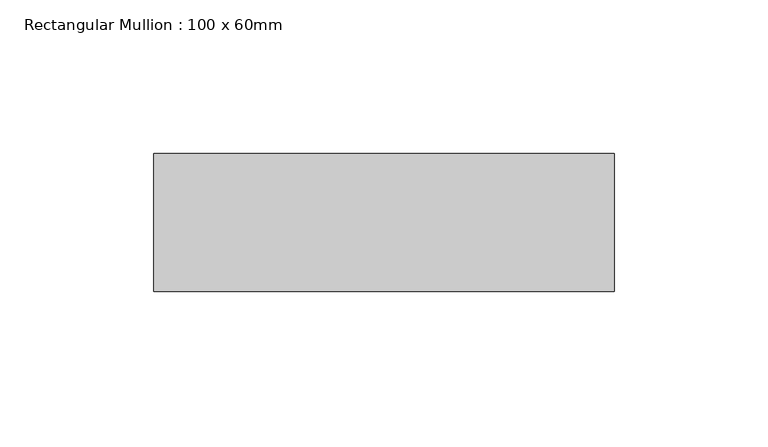
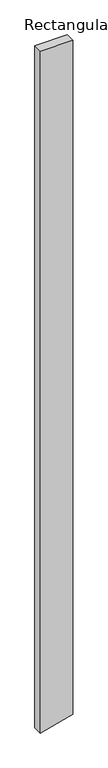
"""IFC4 building model written with IfcOpenShell, lengths in millimetres: member geometry, Rectangular Mullion : 100 x 60mm."""

import ifcopenshell
import ifcopenshell.guid

model = None  # the IFC model being written
_history = None  # IfcOwnerHistory: only IFC2X3 demands one
_inside = {}  # id of a spatial element -> (the spatial element, [elements in it])
_under = {}  # id of a project, library or spatial element -> (it, [spatial elements below it])
_declared = {}  # id of a project -> (the project, [libraries it declares])
_typed = {}  # id of a type object -> (the type object, [elements of that type])
_made_of = {}  # id of a material, layer set ... -> (it, [elements and type objects made of it])


def new_model(schema):
    """Start an empty IFC model of exactly this schema.

    Asked for "IFC4X3", IfcOpenShell would pick the latest addendum, in which some entities
    have other attributes; the version numbers below select the first issue.
    IFC2X3 requires an IfcOwnerHistory on every rooted entity: one is made here for all.
    """
    global model, _history
    if schema == "IFC4X3":
        model = ifcopenshell.file(schema_version=(4, 3, 0, 0))
    else:
        model = ifcopenshell.file(schema=schema)
    _inside.clear()
    _under.clear()
    _declared.clear()
    _typed.clear()
    _made_of.clear()
    _history = None
    if model.schema == "IFC2X3":
        org = make("IfcOrganization", Name="unknown")
        user = make(
            "IfcPersonAndOrganization",
            ThePerson=make("IfcPerson", FamilyName="unknown"),
            TheOrganization=org,
        )
        app = make(
            "IfcApplication",
            ApplicationDeveloper=org,
            Version="unknown",
            ApplicationFullName="unknown",
            ApplicationIdentifier="unknown",
        )
        _history = make(
            "IfcOwnerHistory",
            OwningUser=user,
            OwningApplication=app,
            ChangeAction="ADDED",
            CreationDate=0,
        )
    return model


def make(cls, **values):
    """One entity of the class cls with the attributes given. An attribute that is None is left unset."""
    return model.create_entity(
        cls, **{name: value for name, value in values.items() if value is not None}
    )


def rooted(cls, **values):
    """An entity with a GlobalId (a new one), such as an element, a storey or a relation."""
    return make(cls, GlobalId=ifcopenshell.guid.new(), OwnerHistory=_history, **values)


def si_unit(unit_type, name, prefix=None):
    """IfcSIUnit, for example si_unit("LENGTHUNIT", "METRE", prefix="MILLI")."""
    return make("IfcSIUnit", UnitType=unit_type, Prefix=prefix, Name=name)


def assignment(units):
    """IfcUnitAssignment: the units of a project."""
    return None if units is None else make("IfcUnitAssignment", Units=units)


def point(xyz):
    """IfcCartesianPoint."""
    return None if xyz is None else make("IfcCartesianPoint", Coordinates=xyz)


def direction(xyz):
    """IfcDirection."""
    return None if xyz is None else make("IfcDirection", DirectionRatios=xyz)


def frame(location, z_axis=None, x_axis=None):
    """IfcAxis2Placement3D, a coordinate frame: its origin and axes. An axis left out is left unset."""
    return make(
        "IfcAxis2Placement3D",
        Location=point(location),
        Axis=direction(z_axis),
        RefDirection=direction(x_axis),
    )


def origin():
    """The frame at (0, 0, 0) with its axes left unset."""
    return frame((0.0, 0.0, 0.0))


def place(relative_to, where):
    """IfcLocalPlacement: puts the frame where relative to a parent placement (None: the world)."""
    return make(
        "IfcLocalPlacement", PlacementRelTo=relative_to, RelativePlacement=where
    )


def context(
    kind, dimensions, precision=None, world=None, true_north=None, identifier=None
):
    """IfcGeometricRepresentationContext, for example the 3D "Model" context."""
    return make(
        "IfcGeometricRepresentationContext",
        ContextIdentifier=identifier,
        ContextType=kind,
        CoordinateSpaceDimension=dimensions,
        Precision=precision,
        WorldCoordinateSystem=world,
        TrueNorth=true_north,
    )


def project(units=None, contexts=None):
    """IfcProject with its units and contexts."""
    return rooted(
        "IfcProject",
        Name="project",
        RepresentationContexts=contexts,
        UnitsInContext=assignment(units),
    )


def spatial(cls, under=None, at=None, **own):
    """A site, building, storey or space (cls), placed at a placement, below another one or the project."""
    s = rooted(cls, ObjectPlacement=at, **own)
    if under is not None:
        _under.setdefault(under.id(), (under, []))[1].append(s)
    return s


def polyline(points):
    """IfcPolyline through the points."""
    return make("IfcPolyline", Points=[point(p) for p in points])


def outline(outer, holes=None, kind="AREA"):
    """IfcArbitraryClosedProfileDef: a profile drawn as a closed curve; with holes, ...WithVoids."""
    if holes is None:
        return make("IfcArbitraryClosedProfileDef", ProfileType=kind, OuterCurve=outer)
    return make(
        "IfcArbitraryProfileDefWithVoids",
        ProfileType=kind,
        OuterCurve=outer,
        InnerCurves=holes,
    )


def extrude(swept, where, along, depth):
    """IfcExtrudedAreaSolid: the profile swept, set in the frame where, extruded along a direction by depth."""
    return make(
        "IfcExtrudedAreaSolid",
        SweptArea=swept,
        Position=where,
        ExtrudedDirection=direction(along),
        Depth=depth,
    )


def shape(context_of_items, identifier, shape_type, items):
    """IfcShapeRepresentation: the items that make up one representation, for example the "Body"."""
    return make(
        "IfcShapeRepresentation",
        ContextOfItems=context_of_items,
        RepresentationIdentifier=identifier,
        RepresentationType=shape_type,
        Items=items,
    )


def source(mapping_origin, context_of_items, identifier, shape_type, items):
    """IfcRepresentationMap: a shape defined once, which mapped items show again and again."""
    return make(
        "IfcRepresentationMap",
        MappingOrigin=mapping_origin,
        MappedRepresentation=shape(context_of_items, identifier, shape_type, items),
    )


def transform(
    local_origin,
    x_axis=None,
    y_axis=None,
    z_axis=None,
    scale=None,
    scale2=None,
    scale3=None,
    uniform=True,
):
    """IfcCartesianTransformationOperator3D, or its non-uniform kind. x_axis, y_axis, z_axis: its Axis1, 2, 3."""
    if uniform:
        return make(
            "IfcCartesianTransformationOperator3D",
            Axis1=direction(x_axis),
            Axis2=direction(y_axis),
            LocalOrigin=point(local_origin),
            Scale=scale,
            Axis3=direction(z_axis),
        )
    return make(
        "IfcCartesianTransformationOperator3DnonUniform",
        Axis1=direction(x_axis),
        Axis2=direction(y_axis),
        LocalOrigin=point(local_origin),
        Scale=scale,
        Axis3=direction(z_axis),
        Scale2=scale2,
        Scale3=scale3,
    )


def mapped(mapping_source, mapping_target):
    """IfcMappedItem: shows the shape of a source again, moved by a transform."""
    return make(
        "IfcMappedItem", MappingSource=mapping_source, MappingTarget=mapping_target
    )


def made_of(thing, what):
    """Note that an element or type object is made of a material, layer set ...; save() writes the relation."""
    if what is not None:
        _made_of.setdefault(what.id(), (what, []))[1].append(thing)
    return thing


def element(
    cls,
    number,
    at=None,
    inside=None,
    cuts=None,
    type_object=None,
    material=None,
    context=None,
    identifier="Body",
    shape_type=None,
    held_by="IfcProductDefinitionShape",
    body=None,
    shapes=None,
    **own,
):
    """One element of the class cls, such as IfcWall. Its Tag is "e" and its number.

    at: its placement. inside: the storey or other place that contains it. cuts: it is an
    opening in that element (IfcRelVoidsElement). A single representation is given by context,
    identifier, shape_type and body (its items); several are given by shapes. held_by: the class
    of the entity that holds the representations. save() writes the other relations.
    """
    e = rooted(cls, Tag="e%d" % number, ObjectPlacement=at, **own)
    if body is not None:
        shapes = [shape(context, identifier, shape_type, body)]
    if shapes is not None:
        e.Representation = make(held_by, Representations=shapes)
    if inside is not None:
        _inside.setdefault(inside.id(), (inside, []))[1].append(e)
    if cuts is not None:
        rooted(
            "IfcRelVoidsElement", RelatingBuildingElement=cuts, RelatedOpeningElement=e
        )
    if type_object is not None:
        _typed.setdefault(type_object.id(), (type_object, []))[1].append(e)
    return made_of(e, material)


def aggregate(whole, parts):
    """IfcRelAggregates: a whole, such as a stair, and the parts it consists of."""
    return rooted("IfcRelAggregates", RelatingObject=whole, RelatedObjects=parts)


def save(model, path):
    """Write the relations noted so far, then the file.

    IfcRelAggregates (storeys below a building ...), IfcRelContainedInSpatialStructure (elements
    in a storey), IfcRelDefinesByType, IfcRelAssociatesMaterial and IfcRelDeclares: one each for
    every whole, place, type object, material and project.
    """
    for whole, parts in _under.values():
        aggregate(whole, parts)
    for where, things in _inside.values():
        rooted(
            "IfcRelContainedInSpatialStructure",
            RelatedElements=things,
            RelatingStructure=where,
        )
    for kind, things in _typed.values():
        rooted("IfcRelDefinesByType", RelatedObjects=things, RelatingType=kind)
    for what, things in _made_of.values():
        rooted("IfcRelAssociatesMaterial", RelatedObjects=things, RelatingMaterial=what)
    for by, libraries in _declared.values():
        rooted("IfcRelDeclares", RelatingContext=by, RelatedDefinitions=libraries)
    model.write(path)


def rectangular_mullion_100_x_60mm_1b41bbcc(model_context):
    return source(origin(), model_context, "Body", "SweptSolid", [
        extrude(outline(polyline([(0.0, 75.0), (0.0, -75.0), (-3364.5246597, -75.0), (-3361.7660588, -64.7047613), (-3324.3322809, 75.0), (0.0, 75.0)])), frame((0.0, -15.0, 0.0), z_axis=(0.0, 1.0, 0.0), x_axis=(0.0, 0.0, 1.0)), (0.0, 0.0, 1.0), 45.0),
    ])


if __name__ == "__main__":
    model = new_model("IFC4")
    model_context = context("Model", 3, world=origin())
    ifc_project = project(units=[si_unit("LENGTHUNIT", "METRE", prefix="MILLI")], contexts=[model_context])
    site = spatial("IfcSite", under=ifc_project)
    building = spatial("IfcBuilding", under=site)
    placement = place(None, origin())
    rectangular_mullion_100_x_60mm_shape = rectangular_mullion_100_x_60mm_1b41bbcc(model_context)
    element("IfcMember", 1, ObjectType="Rectangular Mullion : 100 x 60mm", at=placement, inside=building, context=model_context, shape_type="MappedRepresentation", body=[
        mapped(rectangular_mullion_100_x_60mm_shape, transform((0.0, 0.0, 0.0), x_axis=(1.0, 0.0, 0.0), y_axis=(0.0, 1.0, 0.0), z_axis=(0.0, 0.0, 1.0))),
    ])
    save(model, "model.ifc")
